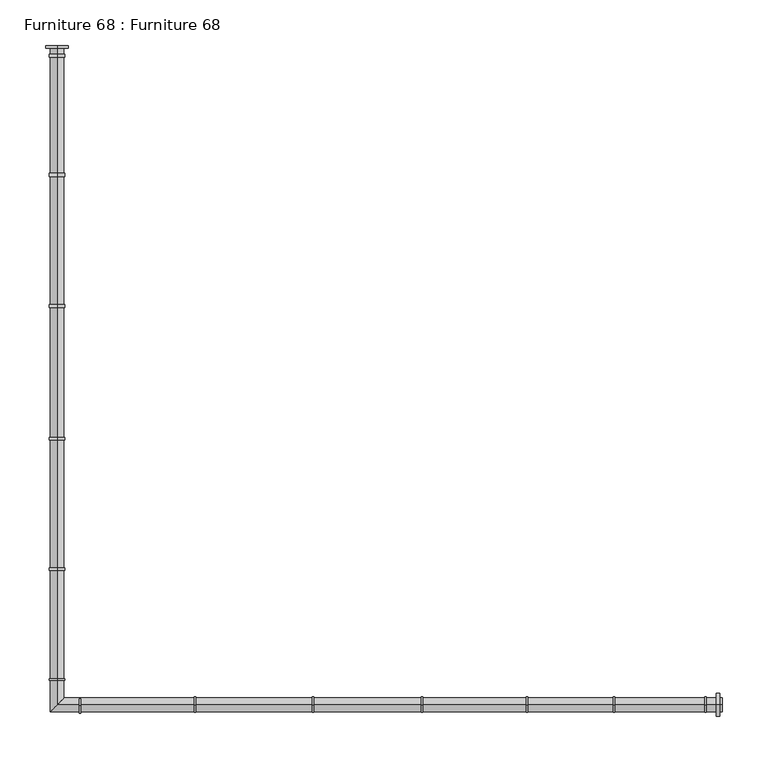
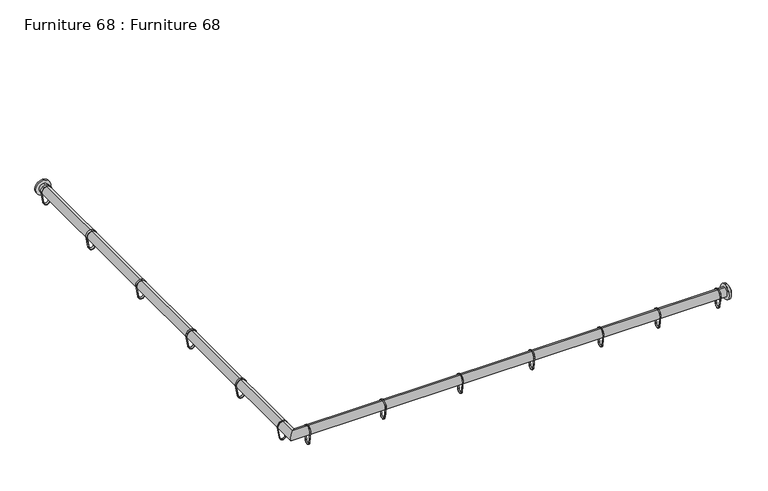
"""IFC4 building model written with IfcOpenShell, lengths in millimetres: furniture geometry, Furniture 68 : Furniture 68."""

import ifcopenshell
import ifcopenshell.guid

model = None  # the IFC model being written
_history = None  # IfcOwnerHistory: only IFC2X3 demands one
_inside = {}  # id of a spatial element -> (the spatial element, [elements in it])
_under = {}  # id of a project, library or spatial element -> (it, [spatial elements below it])
_declared = {}  # id of a project -> (the project, [libraries it declares])
_typed = {}  # id of a type object -> (the type object, [elements of that type])
_made_of = {}  # id of a material, layer set ... -> (it, [elements and type objects made of it])


def new_model(schema):
    """Start an empty IFC model of exactly this schema.

    Asked for "IFC4X3", IfcOpenShell would pick the latest addendum, in which some entities
    have other attributes; the version numbers below select the first issue.
    IFC2X3 requires an IfcOwnerHistory on every rooted entity: one is made here for all.
    """
    global model, _history
    if schema == "IFC4X3":
        model = ifcopenshell.file(schema_version=(4, 3, 0, 0))
    else:
        model = ifcopenshell.file(schema=schema)
    _inside.clear()
    _under.clear()
    _declared.clear()
    _typed.clear()
    _made_of.clear()
    _history = None
    if model.schema == "IFC2X3":
        org = make("IfcOrganization", Name="unknown")
        user = make(
            "IfcPersonAndOrganization",
            ThePerson=make("IfcPerson", FamilyName="unknown"),
            TheOrganization=org,
        )
        app = make(
            "IfcApplication",
            ApplicationDeveloper=org,
            Version="unknown",
            ApplicationFullName="unknown",
            ApplicationIdentifier="unknown",
        )
        _history = make(
            "IfcOwnerHistory",
            OwningUser=user,
            OwningApplication=app,
            ChangeAction="ADDED",
            CreationDate=0,
        )
    return model


def make(cls, **values):
    """One entity of the class cls with the attributes given. An attribute that is None is left unset."""
    return model.create_entity(
        cls, **{name: value for name, value in values.items() if value is not None}
    )


def rooted(cls, **values):
    """An entity with a GlobalId (a new one), such as an element, a storey or a relation."""
    return make(cls, GlobalId=ifcopenshell.guid.new(), OwnerHistory=_history, **values)


def si_unit(unit_type, name, prefix=None):
    """IfcSIUnit, for example si_unit("LENGTHUNIT", "METRE", prefix="MILLI")."""
    return make("IfcSIUnit", UnitType=unit_type, Prefix=prefix, Name=name)


def assignment(units):
    """IfcUnitAssignment: the units of a project."""
    return None if units is None else make("IfcUnitAssignment", Units=units)


def point(xyz):
    """IfcCartesianPoint."""
    return None if xyz is None else make("IfcCartesianPoint", Coordinates=xyz)


def direction(xyz):
    """IfcDirection."""
    return None if xyz is None else make("IfcDirection", DirectionRatios=xyz)


def frame(location, z_axis=None, x_axis=None):
    """IfcAxis2Placement3D, a coordinate frame: its origin and axes. An axis left out is left unset."""
    return make(
        "IfcAxis2Placement3D",
        Location=point(location),
        Axis=direction(z_axis),
        RefDirection=direction(x_axis),
    )


def frame_2d(location, x_axis=None):
    """IfcAxis2Placement2D, a coordinate frame in the plane: its origin and x axis."""
    return make(
        "IfcAxis2Placement2D", Location=point(location), RefDirection=direction(x_axis)
    )


def origin():
    """The frame at (0, 0, 0) with its axes left unset."""
    return frame((0.0, 0.0, 0.0))


def place(relative_to, where):
    """IfcLocalPlacement: puts the frame where relative to a parent placement (None: the world)."""
    return make(
        "IfcLocalPlacement", PlacementRelTo=relative_to, RelativePlacement=where
    )


def context(
    kind, dimensions, precision=None, world=None, true_north=None, identifier=None
):
    """IfcGeometricRepresentationContext, for example the 3D "Model" context."""
    return make(
        "IfcGeometricRepresentationContext",
        ContextIdentifier=identifier,
        ContextType=kind,
        CoordinateSpaceDimension=dimensions,
        Precision=precision,
        WorldCoordinateSystem=world,
        TrueNorth=true_north,
    )


def project(units=None, contexts=None):
    """IfcProject with its units and contexts."""
    return rooted(
        "IfcProject",
        Name="project",
        RepresentationContexts=contexts,
        UnitsInContext=assignment(units),
    )


def spatial(cls, under=None, at=None, **own):
    """A site, building, storey or space (cls), placed at a placement, below another one or the project."""
    s = rooted(cls, ObjectPlacement=at, **own)
    if under is not None:
        _under.setdefault(under.id(), (under, []))[1].append(s)
    return s


def polyline(points):
    """IfcPolyline through the points."""
    return make("IfcPolyline", Points=[point(p) for p in points])


def circle_curve(where, radius):
    """IfcCircle in the frame where."""
    return make("IfcCircle", Position=where, Radius=radius)


def ellipse_curve(where, semi_axis1, semi_axis2):
    """IfcEllipse in the frame where."""
    return make(
        "IfcEllipse", Position=where, SemiAxis1=semi_axis1, SemiAxis2=semi_axis2
    )


def trimmed(basis, trim1, trim2, sense, master):
    """IfcTrimmedCurve: the piece of a basis curve between two trims."""
    return make(
        "IfcTrimmedCurve",
        BasisCurve=basis,
        Trim1=trim1,
        Trim2=trim2,
        SenseAgreement=sense,
        MasterRepresentation=master,
    )


def segment(curve, same_sense, transition):
    """IfcCompositeCurveSegment."""
    return make(
        "IfcCompositeCurveSegment",
        Transition=transition,
        SameSense=same_sense,
        ParentCurve=curve,
    )


def composite_curve(segments, self_intersect=None):
    """IfcCompositeCurve: segments joined end to end."""
    return make("IfcCompositeCurve", Segments=segments, SelfIntersect=self_intersect)


def outline(outer, holes=None, kind="AREA"):
    """IfcArbitraryClosedProfileDef: a profile drawn as a closed curve; with holes, ...WithVoids."""
    if holes is None:
        return make("IfcArbitraryClosedProfileDef", ProfileType=kind, OuterCurve=outer)
    return make(
        "IfcArbitraryProfileDefWithVoids",
        ProfileType=kind,
        OuterCurve=outer,
        InnerCurves=holes,
    )


def extrude(swept, where, along, depth):
    """IfcExtrudedAreaSolid: the profile swept, set in the frame where, extruded along a direction by depth."""
    return make(
        "IfcExtrudedAreaSolid",
        SweptArea=swept,
        Position=where,
        ExtrudedDirection=direction(along),
        Depth=depth,
    )


def shape(context_of_items, identifier, shape_type, items):
    """IfcShapeRepresentation: the items that make up one representation, for example the "Body"."""
    return make(
        "IfcShapeRepresentation",
        ContextOfItems=context_of_items,
        RepresentationIdentifier=identifier,
        RepresentationType=shape_type,
        Items=items,
    )


def source(mapping_origin, context_of_items, identifier, shape_type, items):
    """IfcRepresentationMap: a shape defined once, which mapped items show again and again."""
    return make(
        "IfcRepresentationMap",
        MappingOrigin=mapping_origin,
        MappedRepresentation=shape(context_of_items, identifier, shape_type, items),
    )


def transform(
    local_origin,
    x_axis=None,
    y_axis=None,
    z_axis=None,
    scale=None,
    scale2=None,
    scale3=None,
    uniform=True,
):
    """IfcCartesianTransformationOperator3D, or its non-uniform kind. x_axis, y_axis, z_axis: its Axis1, 2, 3."""
    if uniform:
        return make(
            "IfcCartesianTransformationOperator3D",
            Axis1=direction(x_axis),
            Axis2=direction(y_axis),
            LocalOrigin=point(local_origin),
            Scale=scale,
            Axis3=direction(z_axis),
        )
    return make(
        "IfcCartesianTransformationOperator3DnonUniform",
        Axis1=direction(x_axis),
        Axis2=direction(y_axis),
        LocalOrigin=point(local_origin),
        Scale=scale,
        Axis3=direction(z_axis),
        Scale2=scale2,
        Scale3=scale3,
    )


def mapped(mapping_source, mapping_target):
    """IfcMappedItem: shows the shape of a source again, moved by a transform."""
    return make(
        "IfcMappedItem", MappingSource=mapping_source, MappingTarget=mapping_target
    )


def made_of(thing, what):
    """Note that an element or type object is made of a material, layer set ...; save() writes the relation."""
    if what is not None:
        _made_of.setdefault(what.id(), (what, []))[1].append(thing)
    return thing


def element(
    cls,
    number,
    at=None,
    inside=None,
    cuts=None,
    type_object=None,
    material=None,
    context=None,
    identifier="Body",
    shape_type=None,
    held_by="IfcProductDefinitionShape",
    body=None,
    shapes=None,
    **own,
):
    """One element of the class cls, such as IfcWall. Its Tag is "e" and its number.

    at: its placement. inside: the storey or other place that contains it. cuts: it is an
    opening in that element (IfcRelVoidsElement). A single representation is given by context,
    identifier, shape_type and body (its items); several are given by shapes. held_by: the class
    of the entity that holds the representations. save() writes the other relations.
    """
    e = rooted(cls, Tag="e%d" % number, ObjectPlacement=at, **own)
    if body is not None:
        shapes = [shape(context, identifier, shape_type, body)]
    if shapes is not None:
        e.Representation = make(held_by, Representations=shapes)
    if inside is not None:
        _inside.setdefault(inside.id(), (inside, []))[1].append(e)
    if cuts is not None:
        rooted(
            "IfcRelVoidsElement", RelatingBuildingElement=cuts, RelatedOpeningElement=e
        )
    if type_object is not None:
        _typed.setdefault(type_object.id(), (type_object, []))[1].append(e)
    return made_of(e, material)


def aggregate(whole, parts):
    """IfcRelAggregates: a whole, such as a stair, and the parts it consists of."""
    return rooted("IfcRelAggregates", RelatingObject=whole, RelatedObjects=parts)


def save(model, path):
    """Write the relations noted so far, then the file.

    IfcRelAggregates (storeys below a building ...), IfcRelContainedInSpatialStructure (elements
    in a storey), IfcRelDefinesByType, IfcRelAssociatesMaterial and IfcRelDeclares: one each for
    every whole, place, type object, material and project.
    """
    for whole, parts in _under.values():
        aggregate(whole, parts)
    for where, things in _inside.values():
        rooted(
            "IfcRelContainedInSpatialStructure",
            RelatedElements=things,
            RelatingStructure=where,
        )
    for kind, things in _typed.values():
        rooted("IfcRelDefinesByType", RelatedObjects=things, RelatingType=kind)
    for what, things in _made_of.values():
        rooted("IfcRelAssociatesMaterial", RelatedObjects=things, RelatingMaterial=what)
    for by, libraries in _declared.values():
        rooted("IfcRelDeclares", RelatingContext=by, RelatedDefinitions=libraries)
    model.write(path)


def plane_surface(at):
    """IfcPlane: the flat surface through the origin of the frame at, square to its z axis."""
    return make("IfcPlane", Position=at)


def cylinder_surface(at, radius):
    """IfcCylindricalSurface: all points at the distance radius from the z axis of the frame at."""
    return make("IfcCylindricalSurface", Position=at, Radius=radius)


def advanced_brep(points, edges, surfaces, faces):
    """IfcAdvancedBrep: a solid bounded by faces that lie on surfaces and meet in shared edges.

    An edge is (start, end): straight between two places in points (the first is 0);
    or (start, end, curve); or (start, end, curve, False) where it runs against its curve.
    A face is (place in surfaces, loops), or (place, loops, False) where it looks against
    its surface's normal. A loop lists edges by number (the first is 1), with a minus sign
    where the edge is run from its end to its start. The first loop is the outer one.
    """
    corners = [point(p) for p in points]
    vertices = [make("IfcVertexPoint", VertexGeometry=c) for c in corners]
    made = []
    for start, end, *more in edges:
        made.append(
            make(
                "IfcEdgeCurve",
                EdgeStart=vertices[start],
                EdgeEnd=vertices[end],
                EdgeGeometry=more[0] if more else make("IfcPolyline", Points=[corners[start], corners[end]]),
                SameSense=more[1] if len(more) > 1 else True,
            )
        )
    hull = []
    for where, loops, *sense in faces:
        bounds = []
        for j, loop in enumerate(loops):
            ring = [make("IfcOrientedEdge", EdgeElement=made[abs(k) - 1], Orientation=k > 0) for k in loop]
            bounds.append(
                make(
                    "IfcFaceOuterBound" if j == 0 else "IfcFaceBound",
                    Bound=make("IfcEdgeLoop", EdgeList=ring),
                    Orientation=True,
                )
            )
        hull.append(make("IfcAdvancedFace", Bounds=bounds, FaceSurface=surfaces[where], SameSense=sense[0] if sense else True))
    return make("IfcAdvancedBrep", Outer=make("IfcClosedShell", CfsFaces=hull))


def furniture_68_furniture_68_64196fb3(model_context):
    return source(origin(), model_context, "Body", "SolidModel", [
        extrude(outline(composite_curve([segment(trimmed(circle_curve(frame_2d((-7979.2620657, 2360.8148952)), 8.5), [point((-7979.2620657, 2369.3148952))], [point((-7970.7625688, 2360.7224189))], False, "CARTESIAN"), True, "CONTINUOUS"), segment(polyline([(-7970.7625688, 2360.7224189), (-7974.2237356, 2341.5834661)]), True, "CONTINUOUS"), segment(trimmed(circle_curve(frame_2d((-7979.2620657, 2341.6780717)), 5.0392183), [point((-7974.2237356, 2341.5834661))], [point((-7984.3003958, 2341.5834661))], False, "CARTESIAN"), True, "CONTINUOUS"), segment(polyline([(-7984.3003958, 2341.5834661), (-7987.7615627, 2360.7224189)]), True, "CONTINUOUS"), segment(trimmed(circle_curve(frame_2d((-7979.2620657, 2360.8148952)), 8.5), [point((-7987.7615627, 2360.7224189))], [point((-7979.2620657, 2369.3148952))], False, "CARTESIAN"), True, "CONTINUOUS")], self_intersect=False), holes=[composite_curve([segment(trimmed(circle_curve(frame_2d((-7979.2620657, 2360.8148952)), 7.5), [point((-7979.2620657, 2368.3148952))], [point((-7986.7620657, 2360.8148952))], True, "CARTESIAN"), True, "CONTINUOUS"), segment(polyline([(-7986.7620657, 2360.8148952), (-7983.301284, 2341.6780717)]), True, "CONTINUOUS"), segment(trimmed(circle_curve(frame_2d((-7979.2620657, 2341.6780717)), 4.0392183), [point((-7983.301284, 2341.6780717))], [point((-7975.2228475, 2341.6780717))], True, "CARTESIAN"), True, "CONTINUOUS"), segment(polyline([(-7975.2228475, 2341.6780717), (-7971.7620657, 2360.8148952)]), True, "CONTINUOUS"), segment(trimmed(circle_curve(frame_2d((-7979.2620657, 2360.8148952)), 7.5), [point((-7971.7620657, 2360.8148952))], [point((-7979.2620657, 2368.3148952))], True, "CARTESIAN"), True, "CONTINUOUS")], self_intersect=False)]), frame((1431.1243109, 0.0, 0.0), z_axis=(1.0, 0.0, 0.0), x_axis=(0.0, 1.0, 0.0)), (0.0, 0.0, 1.0), 1.5848298),
        extrude(outline(composite_curve([segment(trimmed(circle_curve(frame_2d((-7979.2620657, 2360.8148952)), 8.5), [point((-7979.2620657, 2369.3148952))], [point((-7970.7625688, 2360.7224189))], False, "CARTESIAN"), True, "CONTINUOUS"), segment(polyline([(-7970.7625688, 2360.7224189), (-7974.2237356, 2341.5834661)]), True, "CONTINUOUS"), segment(trimmed(circle_curve(frame_2d((-7979.2620657, 2341.6780717)), 5.0392183), [point((-7974.2237356, 2341.5834661))], [point((-7984.3003958, 2341.5834661))], False, "CARTESIAN"), True, "CONTINUOUS"), segment(polyline([(-7984.3003958, 2341.5834661), (-7987.7615627, 2360.7224189)]), True, "CONTINUOUS"), segment(trimmed(circle_curve(frame_2d((-7979.2620657, 2360.8148952)), 8.5), [point((-7987.7615627, 2360.7224189))], [point((-7979.2620657, 2369.3148952))], False, "CARTESIAN"), True, "CONTINUOUS")], self_intersect=False), holes=[composite_curve([segment(trimmed(circle_curve(frame_2d((-7979.2620657, 2360.8148952)), 7.5), [point((-7979.2620657, 2368.3148952))], [point((-7986.7620657, 2360.8148952))], True, "CARTESIAN"), True, "CONTINUOUS"), segment(polyline([(-7986.7620657, 2360.8148952), (-7983.301284, 2341.6780717)]), True, "CONTINUOUS"), segment(trimmed(circle_curve(frame_2d((-7979.2620657, 2341.6780717)), 4.0392183), [point((-7983.301284, 2341.6780717))], [point((-7975.2228475, 2341.6780717))], True, "CARTESIAN"), True, "CONTINUOUS"), segment(polyline([(-7975.2228475, 2341.6780717), (-7971.7620657, 2360.8148952)]), True, "CONTINUOUS"), segment(trimmed(circle_curve(frame_2d((-7979.2620657, 2360.8148952)), 7.5), [point((-7971.7620657, 2360.8148952))], [point((-7979.2620657, 2368.3148952))], True, "CARTESIAN"), True, "CONTINUOUS")], self_intersect=False)]), frame((1331.1243109, 0.0, 0.0), z_axis=(1.0, 0.0, 0.0), x_axis=(0.0, 1.0, 0.0)), (0.0, 0.0, 1.0), 1.5848298),
        extrude(outline(composite_curve([segment(trimmed(circle_curve(frame_2d((-7979.2620657, 2360.8148952)), 8.5), [point((-7979.2620657, 2369.3148952))], [point((-7970.7625688, 2360.7224189))], False, "CARTESIAN"), True, "CONTINUOUS"), segment(polyline([(-7970.7625688, 2360.7224189), (-7974.2237356, 2341.5834661)]), True, "CONTINUOUS"), segment(trimmed(circle_curve(frame_2d((-7979.2620657, 2341.6780717)), 5.0392183), [point((-7974.2237356, 2341.5834661))], [point((-7984.3003958, 2341.5834661))], False, "CARTESIAN"), True, "CONTINUOUS"), segment(polyline([(-7984.3003958, 2341.5834661), (-7987.7615627, 2360.7224189)]), True, "CONTINUOUS"), segment(trimmed(circle_curve(frame_2d((-7979.2620657, 2360.8148952)), 8.5), [point((-7987.7615627, 2360.7224189))], [point((-7979.2620657, 2369.3148952))], False, "CARTESIAN"), True, "CONTINUOUS")], self_intersect=False), holes=[composite_curve([segment(trimmed(circle_curve(frame_2d((-7979.2620657, 2360.8148952)), 7.5), [point((-7979.2620657, 2368.3148952))], [point((-7986.7620657, 2360.8148952))], True, "CARTESIAN"), True, "CONTINUOUS"), segment(polyline([(-7986.7620657, 2360.8148952), (-7983.301284, 2341.6780717)]), True, "CONTINUOUS"), segment(trimmed(circle_curve(frame_2d((-7979.2620657, 2341.6780717)), 4.0392183), [point((-7983.301284, 2341.6780717))], [point((-7975.2228475, 2341.6780717))], True, "CARTESIAN"), True, "CONTINUOUS"), segment(polyline([(-7975.2228475, 2341.6780717), (-7971.7620657, 2360.8148952)]), True, "CONTINUOUS"), segment(trimmed(circle_curve(frame_2d((-7979.2620657, 2360.8148952)), 7.5), [point((-7971.7620657, 2360.8148952))], [point((-7979.2620657, 2368.3148952))], True, "CARTESIAN"), True, "CONTINUOUS")], self_intersect=False)]), frame((1236.1243109, 0.0, 0.0), z_axis=(1.0, 0.0, 0.0), x_axis=(0.0, 1.0, 0.0)), (0.0, 0.0, 1.0), 1.5848298),
        extrude(outline(composite_curve([segment(trimmed(circle_curve(frame_2d((-7979.2620657, 2360.8148952)), 8.5), [point((-7979.2620657, 2369.3148952))], [point((-7970.7625688, 2360.7224189))], False, "CARTESIAN"), True, "CONTINUOUS"), segment(polyline([(-7970.7625688, 2360.7224189), (-7974.2237356, 2341.5834661)]), True, "CONTINUOUS"), segment(trimmed(circle_curve(frame_2d((-7979.2620657, 2341.6780717)), 5.0392183), [point((-7974.2237356, 2341.5834661))], [point((-7984.3003958, 2341.5834661))], False, "CARTESIAN"), True, "CONTINUOUS"), segment(polyline([(-7984.3003958, 2341.5834661), (-7987.7615627, 2360.7224189)]), True, "CONTINUOUS"), segment(trimmed(circle_curve(frame_2d((-7979.2620657, 2360.8148952)), 8.5), [point((-7987.7615627, 2360.7224189))], [point((-7979.2620657, 2369.3148952))], False, "CARTESIAN"), True, "CONTINUOUS")], self_intersect=False), holes=[composite_curve([segment(trimmed(circle_curve(frame_2d((-7979.2620657, 2360.8148952)), 7.5), [point((-7979.2620657, 2368.3148952))], [point((-7986.7620657, 2360.8148952))], True, "CARTESIAN"), True, "CONTINUOUS"), segment(polyline([(-7986.7620657, 2360.8148952), (-7983.301284, 2341.6780717)]), True, "CONTINUOUS"), segment(trimmed(circle_curve(frame_2d((-7979.2620657, 2341.6780717)), 4.0392183), [point((-7983.301284, 2341.6780717))], [point((-7975.2228475, 2341.6780717))], True, "CARTESIAN"), True, "CONTINUOUS"), segment(polyline([(-7975.2228475, 2341.6780717), (-7971.7620657, 2360.8148952)]), True, "CONTINUOUS"), segment(trimmed(circle_curve(frame_2d((-7979.2620657, 2360.8148952)), 7.5), [point((-7971.7620657, 2360.8148952))], [point((-7979.2620657, 2368.3148952))], True, "CARTESIAN"), True, "CONTINUOUS")], self_intersect=False)]), frame((1121.1243109, 0.0, 0.0), z_axis=(1.0, 0.0, 0.0), x_axis=(0.0, 1.0, 0.0)), (0.0, 0.0, 1.0), 1.5848298),
        extrude(outline(composite_curve([segment(trimmed(circle_curve(frame_2d((2360.8148952, 723.2234533)), 8.5), [point((2369.3148952, 723.2234533))], [point((2360.7224189, 714.7239563))], False, "CARTESIAN"), True, "CONTINUOUS"), segment(polyline([(2360.7224189, 714.7239563), (2341.5834661, 718.1851231)]), True, "CONTINUOUS"), segment(trimmed(circle_curve(frame_2d((2341.6780717, 723.2234533)), 5.0392183), [point((2341.5834661, 718.1851231))], [point((2341.5834661, 728.2617834))], False, "CARTESIAN"), True, "CONTINUOUS"), segment(polyline([(2341.5834661, 728.2617834), (2360.7224189, 731.7229502)]), True, "CONTINUOUS"), segment(trimmed(circle_curve(frame_2d((2360.8148952, 723.2234533)), 8.5), [point((2360.7224189, 731.7229502))], [point((2369.3148952, 723.2234533))], False, "CARTESIAN"), True, "CONTINUOUS")], self_intersect=False), holes=[composite_curve([segment(trimmed(circle_curve(frame_2d((2360.8148952, 723.2234533)), 7.5), [point((2368.3148952, 723.2234533))], [point((2360.8148952, 730.7234533))], True, "CARTESIAN"), True, "CONTINUOUS"), segment(polyline([(2360.8148952, 730.7234533), (2341.6780717, 727.2626715)]), True, "CONTINUOUS"), segment(trimmed(circle_curve(frame_2d((2341.6780717, 723.2234533)), 4.0392183), [point((2341.6780717, 727.2626715))], [point((2341.6780717, 719.184235))], True, "CARTESIAN"), True, "CONTINUOUS"), segment(polyline([(2341.6780717, 719.184235), (2360.8148952, 715.7234533)]), True, "CONTINUOUS"), segment(trimmed(circle_curve(frame_2d((2360.8148952, 723.2234533)), 7.5), [point((2360.8148952, 715.7234533))], [point((2368.3148952, 723.2234533))], True, "CARTESIAN"), True, "CONTINUOUS")], self_intersect=False)]), frame((0.0, -7271.1275909, 0.0), z_axis=(0.0, 1.0, 0.0), x_axis=(0.0, 0.0, 1.0)), (0.0, 0.0, 1.0), 3.103475),
        extrude(outline(composite_curve([segment(trimmed(circle_curve(frame_2d((2360.8148952, 723.2229502)), 8.5), [point((2369.3148952, 723.2229502))], [point((2360.7224189, 714.7234533))], False, "CARTESIAN"), True, "CONTINUOUS"), segment(polyline([(2360.7224189, 714.7234533), (2341.5834661, 718.1846201)]), True, "CONTINUOUS"), segment(trimmed(circle_curve(frame_2d((2341.6780717, 723.2229502)), 5.0392183), [point((2341.5834661, 718.1846201))], [point((2341.5834661, 728.2612803))], False, "CARTESIAN"), True, "CONTINUOUS"), segment(polyline([(2341.5834661, 728.2612803), (2360.7224189, 731.7224471)]), True, "CONTINUOUS"), segment(trimmed(circle_curve(frame_2d((2360.8148952, 723.2229502)), 8.5), [point((2360.7224189, 731.7224471))], [point((2369.3148952, 723.2229502))], False, "CARTESIAN"), True, "CONTINUOUS")], self_intersect=False), holes=[composite_curve([segment(trimmed(circle_curve(frame_2d((2360.8148952, 723.2229502)), 7.5), [point((2368.3148952, 723.2229502))], [point((2360.8148952, 730.7229502))], True, "CARTESIAN"), True, "CONTINUOUS"), segment(polyline([(2360.8148952, 730.7229502), (2341.6780717, 727.2621684)]), True, "CONTINUOUS"), segment(trimmed(circle_curve(frame_2d((2341.6780717, 723.2229502)), 4.0392183), [point((2341.6780717, 727.2621684))], [point((2341.6780717, 719.1837319))], True, "CARTESIAN"), True, "CONTINUOUS"), segment(polyline([(2341.6780717, 719.1837319), (2360.8148952, 715.7229502)]), True, "CONTINUOUS"), segment(trimmed(circle_curve(frame_2d((2360.8148952, 723.2229502)), 7.5), [point((2360.8148952, 715.7229502))], [point((2368.3148952, 723.2229502))], True, "CARTESIAN"), True, "CONTINUOUS")], self_intersect=False)]), frame((0.0, -7401.7803789, 0.0), z_axis=(0.0, 1.0, 0.0), x_axis=(0.0, 0.0, 1.0)), (0.0, 0.0, 1.0), 3.6800099),
        extrude(outline(composite_curve([segment(trimmed(circle_curve(frame_2d((2360.8148952, 723.2229502)), 8.5), [point((2369.3148952, 723.2229502))], [point((2360.7224189, 714.7234533))], False, "CARTESIAN"), True, "CONTINUOUS"), segment(polyline([(2360.7224189, 714.7234533), (2341.5834661, 718.1846201)]), True, "CONTINUOUS"), segment(trimmed(circle_curve(frame_2d((2341.6780717, 723.2229502)), 5.0392183), [point((2341.5834661, 718.1846201))], [point((2341.5834661, 728.2612803))], False, "CARTESIAN"), True, "CONTINUOUS"), segment(polyline([(2341.5834661, 728.2612803), (2360.7224189, 731.7224471)]), True, "CONTINUOUS"), segment(trimmed(circle_curve(frame_2d((2360.8148952, 723.2229502)), 8.5), [point((2360.7224189, 731.7224471))], [point((2369.3148952, 723.2229502))], False, "CARTESIAN"), True, "CONTINUOUS")], self_intersect=False), holes=[composite_curve([segment(trimmed(circle_curve(frame_2d((2360.8148952, 723.2229502)), 7.5), [point((2368.3148952, 723.2229502))], [point((2360.8148952, 730.7229502))], True, "CARTESIAN"), True, "CONTINUOUS"), segment(polyline([(2360.8148952, 730.7229502), (2341.6780717, 727.2621684)]), True, "CONTINUOUS"), segment(trimmed(circle_curve(frame_2d((2341.6780717, 723.2229502)), 4.0392183), [point((2341.6780717, 727.2621684))], [point((2341.6780717, 719.1837319))], True, "CARTESIAN"), True, "CONTINUOUS"), segment(polyline([(2341.6780717, 719.1837319), (2360.8148952, 715.7229502)]), True, "CONTINUOUS"), segment(trimmed(circle_curve(frame_2d((2360.8148952, 723.2229502)), 7.5), [point((2360.8148952, 715.7229502))], [point((2368.3148952, 723.2229502))], True, "CARTESIAN"), True, "CONTINUOUS")], self_intersect=False)]), frame((0.0, -7544.8814015, 0.0), z_axis=(0.0, 1.0, 0.0), x_axis=(0.0, 0.0, 1.0)), (0.0, 0.0, 1.0), 2.9818872),
        extrude(outline(composite_curve([segment(trimmed(circle_curve(frame_2d((2360.8148952, 723.1051137)), 8.5), [point((2369.3148952, 723.1051137))], [point((2360.7224189, 714.6056167))], False, "CARTESIAN"), True, "CONTINUOUS"), segment(polyline([(2360.7224189, 714.6056167), (2341.5834661, 718.0667836)]), True, "CONTINUOUS"), segment(trimmed(circle_curve(frame_2d((2341.6780717, 723.1051137)), 5.0392183), [point((2341.5834661, 718.0667836))], [point((2341.5834661, 728.1434438))], False, "CARTESIAN"), True, "CONTINUOUS"), segment(polyline([(2341.5834661, 728.1434438), (2360.7224189, 731.6046106)]), True, "CONTINUOUS"), segment(trimmed(circle_curve(frame_2d((2360.8148952, 723.1051137)), 8.5), [point((2360.7224189, 731.6046106))], [point((2369.3148952, 723.1051137))], False, "CARTESIAN"), True, "CONTINUOUS")], self_intersect=False), holes=[composite_curve([segment(trimmed(circle_curve(frame_2d((2360.8148952, 723.1051137)), 7.5), [point((2368.3148952, 723.1051137))], [point((2360.8148952, 730.6051137))], True, "CARTESIAN"), True, "CONTINUOUS"), segment(polyline([(2360.8148952, 730.6051137), (2341.6780717, 727.1443319)]), True, "CONTINUOUS"), segment(trimmed(circle_curve(frame_2d((2341.6780717, 723.1051137)), 4.0392183), [point((2341.6780717, 727.1443319))], [point((2341.6780717, 719.0658954))], True, "CARTESIAN"), True, "CONTINUOUS"), segment(polyline([(2341.6780717, 719.0658954), (2360.8148952, 715.6051137)]), True, "CONTINUOUS"), segment(trimmed(circle_curve(frame_2d((2360.8148952, 723.1051137)), 7.5), [point((2360.8148952, 715.6051137))], [point((2368.3148952, 723.1051137))], True, "CARTESIAN"), True, "CONTINUOUS")], self_intersect=False)]), frame((0.0, -7689.6429294, 0.0), z_axis=(0.0, 1.0, 0.0), x_axis=(0.0, 0.0, 1.0)), (0.0, 0.0, 1.0), 2.8131097),
        extrude(outline(composite_curve([segment(trimmed(circle_curve(frame_2d((2359.8148952, 723.1051137)), 8.5), [point((2368.3148952, 723.1051137))], [point((2359.7224189, 714.6056167))], False, "CARTESIAN"), True, "CONTINUOUS"), segment(polyline([(2359.7224189, 714.6056167), (2340.5834661, 718.0667836)]), True, "CONTINUOUS"), segment(trimmed(circle_curve(frame_2d((2340.6780717, 723.1051137)), 5.0392183), [point((2340.5834661, 718.0667836))], [point((2340.5834661, 728.1434438))], False, "CARTESIAN"), True, "CONTINUOUS"), segment(polyline([(2340.5834661, 728.1434438), (2359.7224189, 731.6046106)]), True, "CONTINUOUS"), segment(trimmed(circle_curve(frame_2d((2359.8148952, 723.1051137)), 8.5), [point((2359.7224189, 731.6046106))], [point((2368.3148952, 723.1051137))], False, "CARTESIAN"), True, "CONTINUOUS")], self_intersect=False), holes=[composite_curve([segment(trimmed(circle_curve(frame_2d((2359.8148952, 723.1051137)), 7.5), [point((2367.3148952, 723.1051137))], [point((2359.8148952, 730.6051137))], True, "CARTESIAN"), True, "CONTINUOUS"), segment(polyline([(2359.8148952, 730.6051137), (2340.6780717, 727.1443319)]), True, "CONTINUOUS"), segment(trimmed(circle_curve(frame_2d((2340.6780717, 723.1051137)), 4.0392183), [point((2340.6780717, 727.1443319))], [point((2340.6780717, 719.0658954))], True, "CARTESIAN"), True, "CONTINUOUS"), segment(polyline([(2340.6780717, 719.0658954), (2359.8148952, 715.6051137)]), True, "CONTINUOUS"), segment(trimmed(circle_curve(frame_2d((2359.8148952, 723.1051137)), 7.5), [point((2359.8148952, 715.6051137))], [point((2367.3148952, 723.1051137))], True, "CARTESIAN"), True, "CONTINUOUS")], self_intersect=False)]), frame((0.0, -7952.4961136, 0.0), z_axis=(0.0, 1.0, 0.0), x_axis=(0.0, 0.0, 1.0)), (0.0, 0.0, 1.0), 1.6226883),
        extrude(outline(composite_curve([segment(trimmed(circle_curve(frame_2d((-7979.2620657, 2360.8148952)), 8.5), [point((-7979.2620657, 2369.3148952))], [point((-7970.7625688, 2360.7224189))], False, "CARTESIAN"), True, "CONTINUOUS"), segment(polyline([(-7970.7625688, 2360.7224189), (-7974.2237356, 2341.5834661)]), True, "CONTINUOUS"), segment(trimmed(circle_curve(frame_2d((-7979.2620657, 2341.6780717)), 5.0392183), [point((-7974.2237356, 2341.5834661))], [point((-7984.3003958, 2341.5834661))], False, "CARTESIAN"), True, "CONTINUOUS"), segment(polyline([(-7984.3003958, 2341.5834661), (-7987.7615627, 2360.7224189)]), True, "CONTINUOUS"), segment(trimmed(circle_curve(frame_2d((-7979.2620657, 2360.8148952)), 8.5), [point((-7987.7615627, 2360.7224189))], [point((-7979.2620657, 2369.3148952))], False, "CARTESIAN"), True, "CONTINUOUS")], self_intersect=False), holes=[composite_curve([segment(trimmed(circle_curve(frame_2d((-7979.2620657, 2360.8148952)), 7.5), [point((-7979.2620657, 2368.3148952))], [point((-7986.7620657, 2360.8148952))], True, "CARTESIAN"), True, "CONTINUOUS"), segment(polyline([(-7986.7620657, 2360.8148952), (-7983.301284, 2341.6780717)]), True, "CONTINUOUS"), segment(trimmed(circle_curve(frame_2d((-7979.2620657, 2341.6780717)), 4.0392183), [point((-7983.301284, 2341.6780717))], [point((-7975.2228475, 2341.6780717))], True, "CARTESIAN"), True, "CONTINUOUS"), segment(polyline([(-7975.2228475, 2341.6780717), (-7971.7620657, 2360.8148952)]), True, "CONTINUOUS"), segment(trimmed(circle_curve(frame_2d((-7979.2620657, 2360.8148952)), 7.5), [point((-7971.7620657, 2360.8148952))], [point((-7979.2620657, 2368.3148952))], True, "CARTESIAN"), True, "CONTINUOUS")], self_intersect=False)]), frame((1002.0595113, 0.0, 0.0), z_axis=(1.0, 0.0, 0.0), x_axis=(0.0, 1.0, 0.0)), (0.0, 0.0, 1.0), 1.5848298),
        extrude(outline(composite_curve([segment(trimmed(circle_curve(frame_2d((-7979.4360312, 2360.8148952)), 8.5), [point((-7979.4360312, 2369.3148952))], [point((-7970.9365343, 2360.7224189))], False, "CARTESIAN"), True, "CONTINUOUS"), segment(polyline([(-7970.9365343, 2360.7224189), (-7974.3977011, 2341.5834661)]), True, "CONTINUOUS"), segment(trimmed(circle_curve(frame_2d((-7979.4360312, 2341.6780717)), 5.0392183), [point((-7974.3977011, 2341.5834661))], [point((-7984.4743613, 2341.5834661))], False, "CARTESIAN"), True, "CONTINUOUS"), segment(polyline([(-7984.4743613, 2341.5834661), (-7987.9355282, 2360.7224189)]), True, "CONTINUOUS"), segment(trimmed(circle_curve(frame_2d((-7979.4360312, 2360.8148952)), 8.5), [point((-7987.9355282, 2360.7224189))], [point((-7979.4360312, 2369.3148952))], False, "CARTESIAN"), True, "CONTINUOUS")], self_intersect=False), holes=[composite_curve([segment(trimmed(circle_curve(frame_2d((-7979.4360312, 2360.8148952)), 7.5), [point((-7979.4360312, 2368.3148952))], [point((-7986.9360312, 2360.8148952))], True, "CARTESIAN"), True, "CONTINUOUS"), segment(polyline([(-7986.9360312, 2360.8148952), (-7983.4752495, 2341.6780717)]), True, "CONTINUOUS"), segment(trimmed(circle_curve(frame_2d((-7979.4360312, 2341.6780717)), 4.0392183), [point((-7983.4752495, 2341.6780717))], [point((-7975.396813, 2341.6780717))], True, "CARTESIAN"), True, "CONTINUOUS"), segment(polyline([(-7975.396813, 2341.6780717), (-7971.9360312, 2360.8148952)]), True, "CONTINUOUS"), segment(trimmed(circle_curve(frame_2d((-7979.4360312, 2360.8148952)), 7.5), [point((-7971.9360312, 2360.8148952))], [point((-7979.4360312, 2368.3148952))], True, "CARTESIAN"), True, "CONTINUOUS")], self_intersect=False)]), frame((873.302078, 0.0, 0.0), z_axis=(1.0, 0.0, 0.0), x_axis=(0.0, 1.0, 0.0)), (0.0, 0.0, 1.0), 1.5848298),
        extrude(outline(composite_curve([segment(trimmed(circle_curve(frame_2d((-7980.2615627, 2360.8148952)), 8.5), [point((-7980.2615627, 2369.3148952))], [point((-7971.7620657, 2360.7224189))], False, "CARTESIAN"), True, "CONTINUOUS"), segment(polyline([(-7971.7620657, 2360.7224189), (-7975.2232325, 2341.5834661)]), True, "CONTINUOUS"), segment(trimmed(circle_curve(frame_2d((-7980.2615627, 2341.6780717)), 5.0392183), [point((-7975.2232325, 2341.5834661))], [point((-7985.2998928, 2341.5834661))], False, "CARTESIAN"), True, "CONTINUOUS"), segment(polyline([(-7985.2998928, 2341.5834661), (-7988.7610596, 2360.7224189)]), True, "CONTINUOUS"), segment(trimmed(circle_curve(frame_2d((-7980.2615627, 2360.8148952)), 8.5), [point((-7988.7610596, 2360.7224189))], [point((-7980.2615627, 2369.3148952))], False, "CARTESIAN"), True, "CONTINUOUS")], self_intersect=False), holes=[composite_curve([segment(trimmed(circle_curve(frame_2d((-7980.2615627, 2360.8148952)), 7.5), [point((-7980.2615627, 2368.3148952))], [point((-7987.7615627, 2360.8148952))], True, "CARTESIAN"), True, "CONTINUOUS"), segment(polyline([(-7987.7615627, 2360.8148952), (-7984.3007809, 2341.6780717)]), True, "CONTINUOUS"), segment(trimmed(circle_curve(frame_2d((-7980.2615627, 2341.6780717)), 4.0392183), [point((-7984.3007809, 2341.6780717))], [point((-7976.2223444, 2341.6780717))], True, "CARTESIAN"), True, "CONTINUOUS"), segment(polyline([(-7976.2223444, 2341.6780717), (-7972.7615627, 2360.8148952)]), True, "CONTINUOUS"), segment(trimmed(circle_curve(frame_2d((-7980.2615627, 2360.8148952)), 7.5), [point((-7972.7615627, 2360.8148952))], [point((-7980.2615627, 2368.3148952))], True, "CARTESIAN"), True, "CONTINUOUS")], self_intersect=False)]), frame((747.3717325, 0.0, 0.0), z_axis=(1.0, 0.0, 0.0), x_axis=(0.0, 1.0, 0.0)), (0.0, 0.0, 1.0), 1.5848298),
        extrude(outline(composite_curve([segment(trimmed(circle_curve(frame_2d((2360.8148952, 723.1051137)), 8.5), [point((2369.3148952, 723.1051137))], [point((2360.7224189, 714.6056167))], False, "CARTESIAN"), True, "CONTINUOUS"), segment(polyline([(2360.7224189, 714.6056167), (2341.5834661, 718.0667836)]), True, "CONTINUOUS"), segment(trimmed(circle_curve(frame_2d((2341.6780717, 723.1051137)), 5.0392183), [point((2341.5834661, 718.0667836))], [point((2341.5834661, 728.1434438))], False, "CARTESIAN"), True, "CONTINUOUS"), segment(polyline([(2341.5834661, 728.1434438), (2360.7224189, 731.6046106)]), True, "CONTINUOUS"), segment(trimmed(circle_curve(frame_2d((2360.8148952, 723.1051137)), 8.5), [point((2360.7224189, 731.6046106))], [point((2369.3148952, 723.1051137))], False, "CARTESIAN"), True, "CONTINUOUS")], self_intersect=False), holes=[composite_curve([segment(trimmed(circle_curve(frame_2d((2360.8148952, 723.1051137)), 7.5), [point((2368.3148952, 723.1051137))], [point((2360.8148952, 730.6051137))], True, "CARTESIAN"), True, "CONTINUOUS"), segment(polyline([(2360.8148952, 730.6051137), (2341.6780717, 727.1443319)]), True, "CONTINUOUS"), segment(trimmed(circle_curve(frame_2d((2341.6780717, 723.1051137)), 4.0392183), [point((2341.6780717, 727.1443319))], [point((2341.6780717, 719.0658954))], True, "CARTESIAN"), True, "CONTINUOUS"), segment(polyline([(2341.6780717, 719.0658954), (2360.8148952, 715.6051137)]), True, "CONTINUOUS"), segment(trimmed(circle_curve(frame_2d((2360.8148952, 723.1051137)), 7.5), [point((2360.8148952, 715.6051137))], [point((2368.3148952, 723.1051137))], True, "CARTESIAN"), True, "CONTINUOUS")], self_intersect=False)]), frame((0.0, -7832.611844, 0.0), z_axis=(0.0, 1.0, 0.0), x_axis=(0.0, 0.0, 1.0)), (0.0, 0.0, 1.0), 2.8213409),
        extrude(outline(composite_curve([segment(trimmed(circle_curve(frame_2d((-7979.5437284, 2360.8148952)), 12.5), [point((-7979.5437284, 2348.3148952))], [point((-7979.5437284, 2373.3148952))], False, "CARTESIAN"), True, "CONTINUOUS"), segment(trimmed(circle_curve(frame_2d((-7979.5437284, 2360.8148952)), 12.5), [point((-7979.5437284, 2373.3148952))], [point((-7979.5437284, 2348.3148952))], False, "CARTESIAN"), True, "CONTINUOUS")], self_intersect=False)), frame((1443.7439446, 0.0, 0.0), z_axis=(1.0, 0.0, 0.0), x_axis=(0.0, 1.0, 0.0)), (0.0, 0.0, 1.0), 3.6380402),
        extrude(outline(composite_curve([segment(trimmed(circle_curve(frame_2d((2360.8148952, 723.1641474)), 12.5), [point((2373.3148952, 723.1641474))], [point((2348.3148952, 723.1641474))], False, "CARTESIAN"), True, "CONTINUOUS"), segment(trimmed(circle_curve(frame_2d((2360.8148952, 723.1641474)), 12.5), [point((2348.3148952, 723.1641474))], [point((2373.3148952, 723.1641474))], False, "CARTESIAN"), True, "CONTINUOUS")], self_intersect=False)), frame((0.0, -7261.3165022, 0.0), z_axis=(0.0, 1.0, 0.0), x_axis=(0.0, 0.0, 1.0)), (0.0, 0.0, 1.0), 2.8505028),
        advanced_brep(
        [(723.1641474, -7258.4659994, 2353.3148952), (723.1641474, -7258.4659994, 2368.3148952), (723.1641474, -7979.5437284, 2353.3148952), (723.1641474, -7979.5437284, 2368.3148952), (1450.3795493, -7979.5437284, 2353.3148952), (1450.3795493, -7979.5437284, 2368.3148952)],
        [
            (0, 1, circle_curve(frame((723.1641474, -7258.4659994, 2360.8148952), z_axis=(0.0, 1.0, 0.0), x_axis=(1.0, 0.0, 0.0)), 7.5)),
            (1, 0, circle_curve(frame((723.1641474, -7258.4659994, 2360.8148952), z_axis=(0.0, 1.0, 0.0), x_axis=(1.0, 0.0, 0.0)), 7.5)),
            (0, 2),
            (2, 3, ellipse_curve(frame((723.1641474, -7979.5437284, 2360.8148952), z_axis=(-0.7071067811865456, 0.7071067811865493, 0.0), x_axis=(0.7071067811865492, 0.7071067811865458, 0.0)), 10.6066017, 7.5)),
            (3, 1),
            (3, 2, ellipse_curve(frame((723.1641474, -7979.5437284, 2360.8148952), z_axis=(-0.7071067811865456, 0.7071067811865493, 0.0), x_axis=(0.7071067811865492, 0.7071067811865458, 0.0)), 10.6066017, 7.5)),
            (4, 5, circle_curve(frame((1450.3795493, -7979.5437284, 2360.8148952), z_axis=(1.0, 0.0, 0.0), x_axis=(0.0, 1.0, 0.0)), 7.5)),
            (5, 4, circle_curve(frame((1450.3795493, -7979.5437284, 2360.8148952), z_axis=(1.0, 0.0, 0.0), x_axis=(0.0, 1.0, 0.0)), 7.5)),
            (2, 4),
            (5, 3),
        ],
        [
            plane_surface(frame((735.3795493, -7258.4659994, 0.0), z_axis=(0.0, 1.0, 0.0), x_axis=(0.0, 0.0, 1.0))),
            cylinder_surface(frame((723.1641474, -7258.4659994, 2360.8148952), z_axis=(0.0, 1.0, 0.0), x_axis=(1.0, 0.0, 0.0)), 7.5),
            plane_surface(frame((1450.3795493, -7967.3283265, 0.0), z_axis=(1.0, 0.0, 0.0), x_axis=(0.0, 0.0, 1.0))),
            cylinder_surface(frame((735.3795493, -7979.5437284, 2360.8148952), z_axis=(-1.0, 0.0, 0.0), x_axis=(0.0, 1.0, 0.0)), 7.5),
        ],
        [
            (0, [[1, 2]]),
            (1, [[-1, 3, 4, 5]]),
            (1, [[-2, -5, 6, -3]]),
            (2, [[7, 8]]),
            (3, [[-4, 9, -8, 10]]),
            (3, [[-6, -10, -7, -9]]),
        ],
    ),
    ])


if __name__ == "__main__":
    model = new_model("IFC4")
    model_context = context("Model", 3, world=origin())
    ifc_project = project(units=[si_unit("LENGTHUNIT", "METRE", prefix="MILLI")], contexts=[model_context])
    site = spatial("IfcSite", under=ifc_project)
    building = spatial("IfcBuilding", under=site)
    placement = place(None, origin())
    furniture_68_furniture_68_shape = furniture_68_furniture_68_64196fb3(model_context)
    element("IfcFurniture", 1, ObjectType="Furniture 68 : Furniture 68", at=placement, inside=building, context=model_context, shape_type="MappedRepresentation", body=[
        mapped(furniture_68_furniture_68_shape, transform((0.0, 0.0, 0.0), x_axis=(1.0, 0.0, 0.0), y_axis=(0.0, 1.0, 0.0), z_axis=(0.0, 0.0, 1.0))),
    ])
    save(model, "model.ifc")
